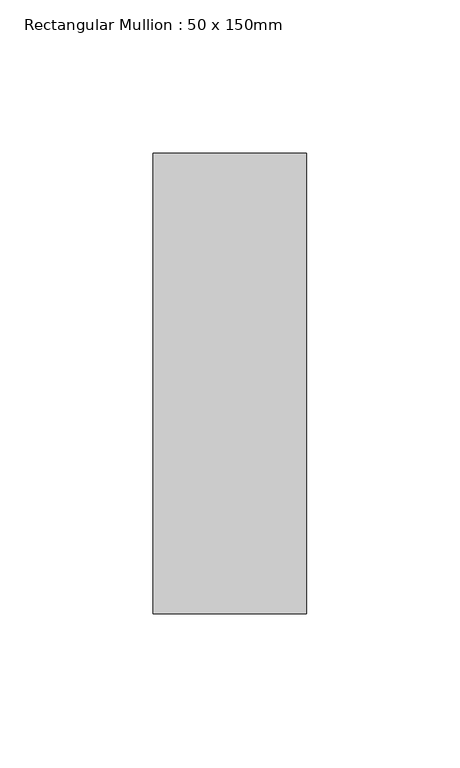
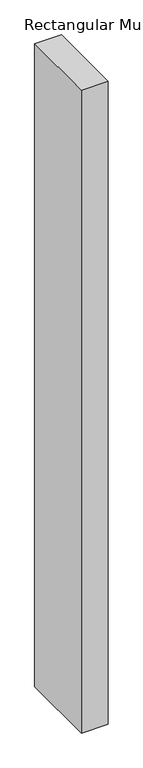
"""IFC4 building model written with IfcOpenShell, lengths in millimetres: member geometry, Rectangular Mullion : 50 x 150mm."""

from ifc_helpers import new_model, si_unit, frame, origin, place, context, project, spatial, polyline, outline, extrude, source, transform, mapped, element, save


def rectangular_mullion_50_x_150mm_aec1dccf(model_context):
    return source(origin(), model_context, "Body", "SweptSolid", [
        extrude(outline(polyline([(25.0, 75.0), (25.0, -75.0), (-25.0, -75.0), (-25.0, 75.0), (25.0, 75.0)])), frame((0.0, 0.0, -1262.5), z_axis=(0.0, 0.0, 1.0), x_axis=(1.0, 0.0, 0.0)), (0.0, 0.0, 1.0), 1262.5),
    ])


if __name__ == "__main__":
    model = new_model("IFC4")
    model_context = context("Model", 3, world=origin())
    ifc_project = project(units=[si_unit("LENGTHUNIT", "METRE", prefix="MILLI")], contexts=[model_context])
    site = spatial("IfcSite", under=ifc_project)
    building = spatial("IfcBuilding", under=site)
    placement = place(None, origin())
    rectangular_mullion_50_x_150mm_shape = rectangular_mullion_50_x_150mm_aec1dccf(model_context)
    element("IfcMember", 1, ObjectType="Rectangular Mullion : 50 x 150mm", at=placement, inside=building, context=model_context, shape_type="MappedRepresentation", body=[
        mapped(rectangular_mullion_50_x_150mm_shape, transform((0.0, 0.0, 0.0), x_axis=(1.0, 0.0, 0.0), y_axis=(0.0, 1.0, 0.0), z_axis=(0.0, 0.0, 1.0))),
    ])
    save(model, "model.ifc")
